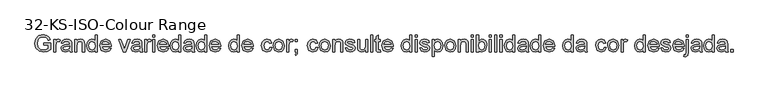
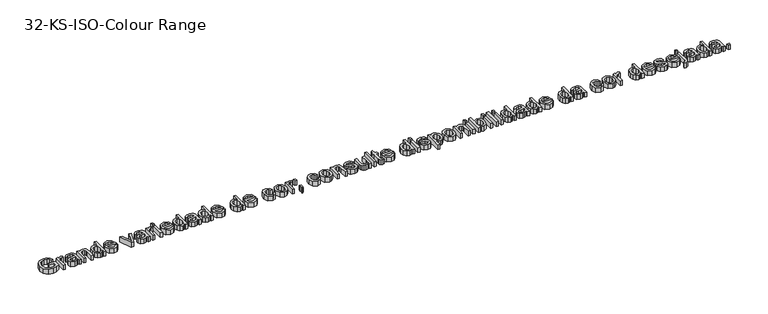
"""IFC4 building model written with IfcOpenShell, lengths in millimetres: proxy geometry, 32-KS-ISO-Colour Range."""

from ifc_helpers import new_model, si_unit, origin, origin_with_axes, place, context, project, spatial, polyline, outline, extrude, source, transform, mapped, element, save


def proxy_32_ks_iso_colour_range_8220f766(model_context):
    return source(origin(), model_context, "Body", "SweptSolid", [
        extrude(outline(polyline([(-1019.1574739, 357.6650582), (-1019.1574739, 363.9435776), (-998.7522859, 363.9435776), (-998.7522859, 345.1693331), (-1008.8261212, 339.246433), (-1019.4763049, 337.2598702), (-1032.8856037, 340.417524), (-1041.9845517, 349.5593916), (-1045.0563663, 362.913508), (-1041.9968144, 376.5680614), (-1033.1983034, 385.9797091), (-1019.979077, 389.0576552), (-1010.1566277, 387.2734275), (-1003.2711031, 382.3070205), (-999.4757871, 373.9990188), (-1005.2637972, 372.3680753), (-1008.1271454, 378.1744795), (-1013.0199759, 381.5222056), (-1020.0771789, 382.7791358), (-1028.1154005, 381.4241038), (-1033.5845795, 377.8679111), (-1036.8158096, 373.0302629), (-1038.777847, 363.1710254), (-1036.4172708, 352.2265361), (-1029.5501402, 345.6782366), (-1019.979077, 343.5383896), (-1011.3890324, 345.150939), (-1005.0308053, 348.5906357), (-1005.0308053, 357.6650582), (-1019.1574739, 357.6650582)])), origin_with_axes(), (0.0, 0.0, 1.0), 15.0),
        extrude(outline(polyline([(-989.3345068, 338.0446852), (-989.3345068, 374.9309865), (-983.8408023, 374.9309865), (-983.8408023, 369.4740703), (-979.9412532, 374.5017909), (-976.0171786, 375.7158015), (-969.7141337, 373.7782896), (-971.8110611, 368.1496951), (-976.225645, 369.4372821), (-979.7757063, 368.198746), (-982.0381806, 364.7651807), (-983.0559874, 357.4320663), (-983.0559874, 338.0446852), (-989.3345068, 338.0446852)])), origin_with_axes(), (0.0, 0.0, 1.0), 15.0),
        extrude(outline(polyline([(-942.2456114, 342.7535747), (-948.3340584, 338.4984063), (-955.0601676, 337.2598702), (-964.1775097, 340.2397144), (-967.359689, 347.8548717), (-966.1579411, 352.8212786), (-963.0002873, 356.4265222), (-958.6040975, 358.4866614), (-953.1717067, 359.4308918), (-942.2823996, 361.5891328), (-943.9746568, 367.6223976), (-950.9153638, 369.4372821), (-957.2674596, 368.2294029), (-960.2963546, 363.9435776), (-966.574874, 364.7283925), (-963.8586786, 370.8597591), (-958.3894996, 374.4527399), (-950.1060234, 375.7158015), (-942.4969974, 374.5998927), (-938.1989095, 371.7978582), (-936.2736604, 367.5365584), (-935.967092, 362.042854), (-935.967092, 354.2314929), (-935.648261, 343.3237918), (-934.3974622, 338.0446852), (-940.6759816, 338.0446852), (-942.2456114, 342.7535747)]), holes=[polyline([(-942.2456114, 355.3106135), (-952.374629, 353.3853644), (-957.776363, 352.3675575), (-960.2227782, 350.7120885), (-961.0811696, 348.2963301), (-959.2111028, 344.899553), (-953.7235297, 343.5383896), (-947.3714339, 345.0405744), (-943.275681, 348.6764748), (-942.2823996, 353.5325172), (-942.2456114, 355.3106135)])]), origin_with_axes(), (0.0, 0.0, 1.0), 15.0),
        extrude(outline(polyline([(-927.3341279, 338.0446852), (-927.3341279, 374.9309865), (-921.0556085, 374.9309865), (-921.0556085, 369.7806386), (-916.2547485, 374.2320107), (-909.7003176, 375.7158015), (-903.7712861, 374.520185), (-899.7245841, 371.3809253), (-897.8422546, 366.7640062), (-897.5111608, 360.6939533), (-897.5111608, 338.0446852), (-903.7896802, 338.0446852), (-903.7896802, 359.8478247), (-904.5131814, 365.4028429), (-907.0699613, 368.3397675), (-911.380312, 369.4372821), (-918.1922603, 366.9724727), (-921.0556085, 357.6160073), (-921.0556085, 338.0446852), (-927.3341279, 338.0446852)])), origin_with_axes(), (0.0, 0.0, 1.0), 15.0),
        extrude(outline(polyline([(-866.1185639, 338.0446852), (-866.1185639, 343.9675853), (-870.2725647, 338.936799), (-876.0145896, 337.2598702), (-883.7891624, 339.6878914), (-889.2828668, 346.4630515), (-891.2326414, 356.4510476), (-889.436151, 366.4451752), (-884.0528111, 373.3245685), (-876.039115, 375.7158015), (-870.251105, 374.0051502), (-866.1185639, 369.5599094), (-866.1185639, 388.2728402), (-859.8400445, 388.2728402), (-859.8400445, 338.0446852), (-866.1185639, 338.0446852)]), holes=[polyline([(-884.954122, 356.4755731), (-882.1214307, 346.7573571), (-875.4382411, 343.5383896), (-868.8347593, 346.6102043), (-866.1185639, 355.9973265), (-868.8838102, 366.1876578), (-875.6957585, 369.4372821), (-882.3053717, 366.3164165), (-884.954122, 356.4755731)])]), origin_with_axes(), (0.0, 0.0, 1.0), 15.0),
        extrude(outline(polyline([(-824.5969494, 349.0320941), (-818.4410573, 348.2472792), (-824.1984105, 340.1416125), (-834.9221707, 337.2598702), (-847.9574561, 342.2324085), (-852.7767102, 356.1812675), (-847.9084051, 370.589979), (-835.27779, 375.7158015), (-823.0089254, 370.6022417), (-818.2448536, 356.2180557), (-818.2816418, 354.5257985), (-846.4981908, 354.5257985), (-842.8868159, 346.371081), (-834.7995434, 343.5383896), (-828.6436513, 344.8505021), (-824.5969494, 349.0320941)]), holes=[polyline([(-846.4981908, 360.8043179), (-824.523373, 360.8043179), (-827.0372333, 366.4942261), (-835.3023154, 369.4372821), (-843.0339687, 367.0889687), (-846.4981908, 360.8043179)])]), origin_with_axes(), (0.0, 0.0, 1.0), 15.0),
        extrude(outline(polyline([(-783.296064, 338.0446852), (-796.2700357, 374.9309865), (-789.6236344, 374.9309865), (-781.7632224, 352.8335414), (-779.3965149, 345.4023251), (-777.0788583, 352.4166084), (-769.1693954, 374.9309865), (-762.522994, 374.9309865), (-775.3375502, 338.0446852), (-783.296064, 338.0446852)])), origin_with_axes(), (0.0, 0.0, 1.0), 15.0),
        extrude(outline(polyline([(-733.4848419, 342.7535747), (-739.5732889, 338.4984063), (-746.2993981, 337.2598702), (-755.4167402, 340.2397144), (-758.5989194, 347.8548717), (-757.3971716, 352.8212786), (-754.2395178, 356.4265222), (-749.8433279, 358.4866614), (-744.4109371, 359.4308918), (-733.5216301, 361.5891328), (-735.2138873, 367.6223976), (-742.1545942, 369.4372821), (-748.50669, 368.2294029), (-751.5355851, 363.9435776), (-757.8141045, 364.7283925), (-755.0979091, 370.8597591), (-749.6287301, 374.4527399), (-741.3452539, 375.7158015), (-733.7362279, 374.5998927), (-729.4381399, 371.7978582), (-727.5128908, 367.5365584), (-727.2063225, 362.042854), (-727.2063225, 354.2314929), (-726.8874914, 343.3237918), (-725.6366927, 338.0446852), (-731.915212, 338.0446852), (-733.4848419, 342.7535747)]), holes=[polyline([(-733.4848419, 355.3106135), (-743.6138595, 353.3853644), (-749.0155935, 352.3675575), (-751.4620087, 350.7120885), (-752.3204, 348.2963301), (-750.4503332, 344.899553), (-744.9627601, 343.5383896), (-738.6106644, 345.0405744), (-734.5149115, 348.6764748), (-733.5216301, 353.5325172), (-733.4848419, 355.3106135)])]), origin_with_axes(), (0.0, 0.0, 1.0), 15.0),
        extrude(outline(polyline([(-718.5733584, 338.0446852), (-718.5733584, 374.9309865), (-713.0796539, 374.9309865), (-713.0796539, 369.4740703), (-709.1801047, 374.5017909), (-705.2560301, 375.7158015), (-698.9529853, 373.7782896), (-701.0499126, 368.1496951), (-705.4644966, 369.4372821), (-709.0145578, 368.198746), (-711.2770321, 364.7651807), (-712.294839, 357.4320663), (-712.294839, 338.0446852), (-718.5733584, 338.0446852)])), origin_with_axes(), (0.0, 0.0, 1.0), 15.0),
        extrude(outline(polyline([(-695.0289107, 381.9943208), (-695.0289107, 388.2728402), (-688.7503913, 388.2728402), (-688.7503913, 381.9943208), (-695.0289107, 381.9943208)])), origin_with_axes(), (0.0, 0.0, 1.0), 15.0),
        extrude(outline(polyline([(-695.0289107, 338.0446852), (-695.0289107, 374.9309865), (-688.7503913, 374.9309865), (-688.7503913, 338.0446852), (-695.0289107, 338.0446852)])), origin_with_axes(), (0.0, 0.0, 1.0), 15.0),
        extrude(outline(polyline([(-653.5072961, 349.0320941), (-647.3514041, 348.2472792), (-653.1087573, 340.1416125), (-663.8325175, 337.2598702), (-676.8678028, 342.2324085), (-681.687057, 356.1812675), (-676.8187519, 370.589979), (-664.1881367, 375.7158015), (-651.9192722, 370.6022417), (-647.1552004, 356.2180557), (-647.1919886, 354.5257985), (-675.4085376, 354.5257985), (-671.7971627, 346.371081), (-663.7098901, 343.5383896), (-657.5539981, 344.8505021), (-653.5072961, 349.0320941)]), holes=[polyline([(-675.4085376, 360.8043179), (-653.4337197, 360.8043179), (-655.94758, 366.4942261), (-664.2126622, 369.4372821), (-671.9443155, 367.0889687), (-675.4085376, 360.8043179)])]), origin_with_axes(), (0.0, 0.0, 1.0), 15.0),
        extrude(outline(polyline([(-618.1170482, 338.0446852), (-618.1170482, 343.9675853), (-622.2710491, 338.936799), (-628.0130739, 337.2598702), (-635.7876467, 339.6878914), (-641.2813512, 346.4630515), (-643.2311257, 356.4510476), (-641.4346353, 366.4451752), (-636.0512955, 373.3245685), (-628.0375993, 375.7158015), (-622.2495893, 374.0051502), (-618.1170482, 369.5599094), (-618.1170482, 388.2728402), (-611.8385288, 388.2728402), (-611.8385288, 338.0446852), (-618.1170482, 338.0446852)]), holes=[polyline([(-636.9526064, 356.4755731), (-634.119915, 346.7573571), (-627.4367254, 343.5383896), (-620.8332436, 346.6102043), (-618.1170482, 355.9973265), (-620.8822945, 366.1876578), (-627.6942428, 369.4372821), (-634.303856, 366.3164165), (-636.9526064, 356.4755731)])]), origin_with_axes(), (0.0, 0.0, 1.0), 15.0),
        extrude(outline(polyline([(-578.876302, 342.7535747), (-584.9647491, 338.4984063), (-591.6908582, 337.2598702), (-600.8082003, 340.2397144), (-603.9903796, 347.8548717), (-602.7886317, 352.8212786), (-599.6309779, 356.4265222), (-595.2347881, 358.4866614), (-589.8023973, 359.4308918), (-578.9130902, 361.5891328), (-580.6053474, 367.6223976), (-587.5460544, 369.4372821), (-593.8981502, 368.2294029), (-596.9270453, 363.9435776), (-603.2055647, 364.7283925), (-600.4893693, 370.8597591), (-595.0201903, 374.4527399), (-586.736714, 375.7158015), (-579.1276881, 374.5998927), (-574.8296001, 371.7978582), (-572.904351, 367.5365584), (-572.5977827, 362.042854), (-572.5977827, 354.2314929), (-572.2789516, 343.3237918), (-571.0281528, 338.0446852), (-577.3066722, 338.0446852), (-578.876302, 342.7535747)]), holes=[polyline([(-578.876302, 355.3106135), (-589.0053196, 353.3853644), (-594.4070536, 352.3675575), (-596.8534689, 350.7120885), (-597.7118602, 348.2963301), (-595.8417934, 344.899553), (-590.3542203, 343.5383896), (-584.0021245, 345.0405744), (-579.9063716, 348.6764748), (-578.9130902, 353.5325172), (-578.876302, 355.3106135)])]), origin_with_axes(), (0.0, 0.0, 1.0), 15.0),
        extrude(outline(polyline([(-541.2051857, 338.0446852), (-541.2051857, 343.9675853), (-545.3591866, 338.936799), (-551.1012114, 337.2598702), (-558.8757842, 339.6878914), (-564.3694887, 346.4630515), (-566.3192633, 356.4510476), (-564.5227729, 366.4451752), (-559.139433, 373.3245685), (-551.1257369, 375.7158015), (-545.3377268, 374.0051502), (-541.2051857, 369.5599094), (-541.2051857, 388.2728402), (-534.9266664, 388.2728402), (-534.9266664, 338.0446852), (-541.2051857, 338.0446852)]), holes=[polyline([(-560.0407439, 356.4755731), (-557.2080525, 346.7573571), (-550.524863, 343.5383896), (-543.9213811, 346.6102043), (-541.2051857, 355.9973265), (-543.9704321, 366.1876578), (-550.7823804, 369.4372821), (-557.3919935, 366.3164165), (-560.0407439, 356.4755731)])]), origin_with_axes(), (0.0, 0.0, 1.0), 15.0),
        extrude(outline(polyline([(-499.6835712, 349.0320941), (-493.5276792, 348.2472792), (-499.2850324, 340.1416125), (-510.0087926, 337.2598702), (-523.0440779, 342.2324085), (-527.8633321, 356.1812675), (-522.995027, 370.589979), (-510.3644118, 375.7158015), (-498.0955473, 370.6022417), (-493.3314754, 356.2180557), (-493.3682636, 354.5257985), (-521.5848127, 354.5257985), (-517.9734377, 346.371081), (-509.8861652, 343.5383896), (-503.7302732, 344.8505021), (-499.6835712, 349.0320941)]), holes=[polyline([(-521.5848127, 360.8043179), (-499.6099948, 360.8043179), (-502.1238551, 366.4942261), (-510.3889373, 369.4372821), (-518.1205905, 367.0889687), (-521.5848127, 360.8043179)])]), origin_with_axes(), (0.0, 0.0, 1.0), 15.0),
        extrude(outline(polyline([(-444.6729502, 338.0446852), (-444.6729502, 343.9675853), (-448.8269511, 338.936799), (-454.5689759, 337.2598702), (-462.3435487, 339.6878914), (-467.8372532, 346.4630515), (-469.7870277, 356.4510476), (-467.9905373, 366.4451752), (-462.6071975, 373.3245685), (-454.5935013, 375.7158015), (-448.8054913, 374.0051502), (-444.6729502, 369.5599094), (-444.6729502, 388.2728402), (-438.3944308, 388.2728402), (-438.3944308, 338.0446852), (-444.6729502, 338.0446852)]), holes=[polyline([(-463.5085084, 356.4755731), (-460.675817, 346.7573571), (-453.9926274, 343.5383896), (-447.3891456, 346.6102043), (-444.6729502, 355.9973265), (-447.4381965, 366.1876578), (-454.2501448, 369.4372821), (-460.859758, 366.3164165), (-463.5085084, 356.4755731)])]), origin_with_axes(), (0.0, 0.0, 1.0), 15.0),
        extrude(outline(polyline([(-403.1513357, 349.0320941), (-396.9954436, 348.2472792), (-402.7527969, 340.1416125), (-413.476557, 337.2598702), (-426.5118424, 342.2324085), (-431.3310965, 356.1812675), (-426.4627914, 370.589979), (-413.8321763, 375.7158015), (-401.5633117, 370.6022417), (-396.7992399, 356.2180557), (-396.8360281, 354.5257985), (-425.0525771, 354.5257985), (-421.4412022, 346.371081), (-413.3539297, 343.5383896), (-407.1980376, 344.8505021), (-403.1513357, 349.0320941)]), holes=[polyline([(-425.0525771, 360.8043179), (-403.0777593, 360.8043179), (-405.5916196, 366.4942261), (-413.8567017, 369.4372821), (-421.588355, 367.0889687), (-425.0525771, 360.8043179)])]), origin_with_axes(), (0.0, 0.0, 1.0), 15.0),
        extrude(outline(polyline([(-347.3558998, 351.3865388), (-341.0773804, 350.6017239), (-346.1173637, 340.7976688), (-356.074703, 337.2598702), (-367.9756856, 342.1956203), (-372.4699773, 356.3529458), (-370.5508595, 366.7824003), (-364.7015358, 373.483984), (-356.1605422, 375.7158015), (-346.6140044, 372.6501182), (-341.8621953, 363.9435776), (-348.1407147, 363.1587627), (-351.0531138, 367.8615209), (-356.1114912, 369.4372821), (-363.3894234, 366.3348106), (-366.1914579, 356.524624), (-363.450737, 346.622467), (-356.2831695, 343.5383896), (-350.3664007, 345.4636387), (-347.3558998, 351.3865388)])), origin_with_axes(), (0.0, 0.0, 1.0), 15.0),
        extrude(outline(polyline([(-337.1533058, 356.4878358), (-335.7952081, 365.3813831), (-331.720915, 371.6323113), (-320.6599296, 375.7158015), (-308.7957353, 370.7432632), (-304.191079, 357.0028706), (-306.2266927, 345.8315207), (-312.1557242, 339.5100818), (-320.6599296, 337.2598702), (-332.5977004, 342.2140144), (-337.1533058, 356.4878358)]), holes=[polyline([(-330.8747864, 356.5000986), (-327.9685186, 346.7696198), (-320.6599296, 343.5383896), (-313.3758661, 346.7880139), (-310.4695984, 356.6963023), (-313.3942602, 366.2060519), (-320.6599296, 369.4372821), (-327.9685186, 366.2183146), (-330.8747864, 356.5000986)])]), origin_with_axes(), (0.0, 0.0, 1.0), 15.0),
        extrude(outline(polyline([(-297.1277447, 338.0446852), (-297.1277447, 374.9309865), (-291.6340402, 374.9309865), (-291.6340402, 369.4740703), (-287.7344911, 374.5017909), (-283.8104165, 375.7158015), (-277.5073716, 373.7782896), (-279.604299, 368.1496951), (-284.0188829, 369.4372821), (-287.5689442, 368.198746), (-289.8314184, 364.7651807), (-290.8492253, 357.4320663), (-290.8492253, 338.0446852), (-297.1277447, 338.0446852)])), origin_with_axes(), (0.0, 0.0, 1.0), 15.0),
        extrude(outline(polyline([(-272.0136671, 368.6524672), (-272.0136671, 374.9309865), (-265.7351478, 374.9309865), (-265.7351478, 368.6524672), (-272.0136671, 368.6524672)])), origin_with_axes(), (0.0, 0.0, 1.0), 15.0),
        extrude(outline(polyline([(-272.0136671, 338.0446852), (-272.0136671, 344.3232045), (-265.7351478, 344.3232045), (-265.7351478, 338.0446852), (-266.8633192, 331.6251443), (-270.4440373, 327.8420912), (-272.0136671, 330.4663161), (-269.7082733, 333.0844096), (-268.8866702, 338.0446852), (-272.0136671, 338.0446852)])), origin_with_axes(), (0.0, 0.0, 1.0), 15.0),
        extrude(outline(polyline([(-210.7981031, 351.3865388), (-204.5195838, 350.6017239), (-209.5595671, 340.7976688), (-219.5169064, 337.2598702), (-231.417889, 342.1956203), (-235.9121807, 356.3529458), (-233.9930629, 366.7824003), (-228.1437392, 373.483984), (-219.6027456, 375.7158015), (-210.0562078, 372.6501182), (-205.3043987, 363.9435776), (-211.5829181, 363.1587627), (-214.4953172, 367.8615209), (-219.5536946, 369.4372821), (-226.8316268, 366.3348106), (-229.6336613, 356.524624), (-226.8929404, 346.622467), (-219.7253729, 343.5383896), (-213.8086041, 345.4636387), (-210.7981031, 351.3865388)])), origin_with_axes(), (0.0, 0.0, 1.0), 15.0),
        extrude(outline(polyline([(-200.5955091, 356.4878358), (-199.2374114, 365.3813831), (-195.1631183, 371.6323113), (-184.102133, 375.7158015), (-172.2379387, 370.7432632), (-167.6332824, 357.0028706), (-169.6688961, 345.8315207), (-175.5979276, 339.5100818), (-184.102133, 337.2598702), (-196.0399038, 342.2140144), (-200.5955091, 356.4878358)]), holes=[polyline([(-194.3169898, 356.5000986), (-191.410722, 346.7696198), (-184.102133, 343.5383896), (-176.8180695, 346.7880139), (-173.9118018, 356.6963023), (-176.8364636, 366.2060519), (-184.102133, 369.4372821), (-191.410722, 366.2183146), (-194.3169898, 356.5000986)])]), origin_with_axes(), (0.0, 0.0, 1.0), 15.0),
        extrude(outline(polyline([(-160.5699481, 338.0446852), (-160.5699481, 374.9309865), (-154.2914287, 374.9309865), (-154.2914287, 369.7806386), (-149.4905686, 374.2320107), (-142.9361378, 375.7158015), (-137.0071063, 374.520185), (-132.9604043, 371.3809253), (-131.0780748, 366.7640062), (-130.746981, 360.6939533), (-130.746981, 338.0446852), (-137.0255004, 338.0446852), (-137.0255004, 359.8478247), (-137.7490016, 365.4028429), (-140.3057815, 368.3397675), (-144.6161322, 369.4372821), (-151.4280805, 366.9724727), (-154.2914287, 357.6160073), (-154.2914287, 338.0446852), (-160.5699481, 338.0446852)])), origin_with_axes(), (0.0, 0.0, 1.0), 15.0),
        extrude(outline(polyline([(-124.4684616, 349.0320941), (-118.1899422, 349.816909), (-115.2836745, 345.1570704), (-108.6250103, 343.5383896), (-102.2238636, 345.0221803), (-100.139199, 348.5047966), (-102.2361264, 351.3252252), (-108.6985867, 353.1155842), (-118.153154, 356.1873989), (-122.2795637, 359.7742483), (-123.6836467, 364.8387571), (-122.5554752, 369.5169898), (-119.4775292, 373.0915766), (-115.4860096, 374.9493806), (-110.0842756, 375.7158015), (-102.4445928, 374.4833968), (-97.5885505, 371.1479334), (-95.4303095, 365.5132075), (-101.7088288, 364.7283925), (-104.069405, 368.1926147), (-109.5937663, 369.4372821), (-115.6025055, 368.247797), (-117.4051273, 365.4764193), (-116.6571006, 363.649272), (-114.3149185, 362.2635832), (-108.9070532, 360.9269453), (-99.6916092, 357.9716266), (-95.4119154, 354.6239004), (-93.8606796, 349.1669841), (-95.6816955, 343.1582449), (-100.9362766, 338.7988432), (-108.7108495, 337.2598702), (-119.6614702, 340.2274517), (-124.4684616, 349.0320941)])), origin_with_axes(), (0.0, 0.0, 1.0), 15.0),
        extrude(outline(polyline([(-63.2528976, 338.0446852), (-63.2528976, 344.3845182), (-68.1702536, 339.0410322), (-74.5836631, 337.2598702), (-80.4881691, 338.510669), (-84.5593965, 341.6499287), (-86.4294633, 346.2729791), (-86.7973453, 352.1100401), (-86.7973453, 374.9309865), (-80.5188259, 374.9309865), (-80.5188259, 355.0653588), (-80.1386812, 348.6642121), (-77.6554777, 344.9056844), (-72.977245, 343.5383896), (-67.7349266, 344.9363412), (-64.2707045, 348.7439198), (-63.2528976, 355.7398091), (-63.2528976, 374.9309865), (-56.9743782, 374.9309865), (-56.9743782, 338.0446852), (-63.2528976, 338.0446852)])), origin_with_axes(), (0.0, 0.0, 1.0), 15.0),
        extrude(outline(polyline([(-48.3414141, 338.0446852), (-48.3414141, 388.2728402), (-42.0628947, 388.2728402), (-42.0628947, 338.0446852), (-48.3414141, 338.0446852)])), origin_with_axes(), (0.0, 0.0, 1.0), 15.0),
        extrude(outline(polyline([(-19.3032619, 343.2808722), (-18.518447, 337.8607442), (-23.2150738, 337.2598702), (-28.4757863, 338.3022026), (-31.1000112, 341.036792), (-31.8603007, 348.16144), (-31.8603007, 368.6524672), (-36.5691902, 368.6524672), (-36.5691902, 374.9309865), (-31.8603007, 374.9309865), (-31.8603007, 383.8950445), (-25.5817813, 387.5861272), (-25.5817813, 374.9309865), (-19.3032619, 374.9309865), (-19.3032619, 368.6524672), (-25.5817813, 368.6524672), (-25.5817813, 348.345381), (-25.2506875, 345.1080195), (-22.0378514, 343.5383896), (-19.3032619, 343.2808722)])), origin_with_axes(), (0.0, 0.0, 1.0), 15.0),
        extrude(outline(polyline([(12.8005735, 349.0320941), (18.9564656, 348.2472792), (13.1991124, 340.1416125), (2.4753522, 337.2598702), (-10.5599332, 342.2324085), (-15.3791873, 356.1812675), (-10.5108822, 370.589979), (2.1197329, 375.7158015), (14.3885975, 370.6022417), (19.1526693, 356.2180557), (19.1158811, 354.5257985), (-9.1006679, 354.5257985), (-5.489293, 346.371081), (2.5979795, 343.5383896), (8.7538716, 344.8505021), (12.8005735, 349.0320941)]), holes=[polyline([(-9.1006679, 360.8043179), (12.8741499, 360.8043179), (10.3602896, 366.4942261), (2.0952075, 369.4372821), (-5.6364458, 367.0889687), (-9.1006679, 360.8043179)])]), origin_with_axes(), (0.0, 0.0, 1.0), 15.0),
        extrude(outline(polyline([(67.8111945, 338.0446852), (67.8111945, 343.9675853), (63.6571937, 338.936799), (57.9151689, 337.2598702), (50.140596, 339.6878914), (44.6468916, 346.4630515), (42.697117, 356.4510476), (44.4936074, 366.4451752), (49.8769473, 373.3245685), (57.8906434, 375.7158015), (63.6786535, 374.0051502), (67.8111945, 369.5599094), (67.8111945, 388.2728402), (74.0897139, 388.2728402), (74.0897139, 338.0446852), (67.8111945, 338.0446852)]), holes=[polyline([(48.9756364, 356.4755731), (51.8083277, 346.7573571), (58.4915173, 343.5383896), (65.0949991, 346.6102043), (67.8111945, 355.9973265), (65.0459482, 366.1876578), (58.2339999, 369.4372821), (51.6243868, 366.3164165), (48.9756364, 356.4755731)])]), origin_with_axes(), (0.0, 0.0, 1.0), 15.0),
        extrude(outline(polyline([(83.507493, 381.9943208), (83.507493, 388.2728402), (89.7860124, 388.2728402), (89.7860124, 381.9943208), (83.507493, 381.9943208)])), origin_with_axes(), (0.0, 0.0, 1.0), 15.0),
        extrude(outline(polyline([(83.507493, 338.0446852), (83.507493, 374.9309865), (89.7860124, 374.9309865), (89.7860124, 338.0446852), (83.507493, 338.0446852)])), origin_with_axes(), (0.0, 0.0, 1.0), 15.0),
        extrude(outline(polyline([(96.8493467, 349.0320941), (103.1278661, 349.816909), (106.0341338, 345.1570704), (112.692798, 343.5383896), (119.0939447, 345.0221803), (121.1786093, 348.5047966), (119.0816819, 351.3252252), (112.6192216, 353.1155842), (103.1646543, 356.1873989), (99.0382446, 359.7742483), (97.6341616, 364.8387571), (98.7623331, 369.5169898), (101.8402791, 373.0915766), (105.8317987, 374.9493806), (111.2335327, 375.7158015), (118.8732155, 374.4833968), (123.7292578, 371.1479334), (125.8874988, 365.5132075), (119.6089795, 364.7283925), (117.2484033, 368.1926147), (111.724042, 369.4372821), (105.7153028, 368.247797), (103.912681, 365.4764193), (104.6607077, 363.649272), (107.0028898, 362.2635832), (112.4107551, 360.9269453), (121.6261991, 357.9716266), (125.9058929, 354.6239004), (127.4571287, 349.1669841), (125.6361128, 343.1582449), (120.3815316, 338.7988432), (112.6069588, 337.2598702), (101.6563381, 340.2274517), (96.8493467, 349.0320941)])), origin_with_axes(), (0.0, 0.0, 1.0), 15.0),
        extrude(outline(polyline([(134.520463, 323.9180165), (134.520463, 374.9309865), (140.7989824, 374.9309865), (140.7989824, 368.7750945), (145.1399899, 373.9806247), (151.0015764, 375.7158015), (158.9600902, 373.2877803), (164.1594891, 366.4451752), (165.9130599, 356.7698787), (163.9326285, 346.5979415), (158.1814067, 339.6694973), (150.2412869, 337.2598702), (144.7782393, 338.8724196), (140.7989824, 342.9497784), (140.7989824, 323.9180165), (134.520463, 323.9180165)]), holes=[polyline([(140.7989824, 356.1935303), (143.5151778, 346.6285984), (150.1063969, 343.5383896), (156.832506, 346.738963), (159.6345405, 356.6595141), (156.899951, 366.2489715), (150.3639143, 369.4372821), (143.6991188, 366.0466364), (140.7989824, 356.1935303)])]), origin_with_axes(), (0.0, 0.0, 1.0), 15.0),
        extrude(outline(polyline([(171.4067644, 356.4878358), (172.7648621, 365.3813831), (176.8391552, 371.6323113), (187.9001405, 375.7158015), (199.7643348, 370.7432632), (204.3689911, 357.0028706), (202.3333774, 345.8315207), (196.404346, 339.5100818), (187.9001405, 337.2598702), (175.9623698, 342.2140144), (171.4067644, 356.4878358)]), holes=[polyline([(177.6852838, 356.5000986), (180.5915515, 346.7696198), (187.9001405, 343.5383896), (195.184204, 346.7880139), (198.0904718, 356.6963023), (195.1658099, 366.2060519), (187.9001405, 369.4372821), (180.5915515, 366.2183146), (177.6852838, 356.5000986)])]), origin_with_axes(), (0.0, 0.0, 1.0), 15.0),
        extrude(outline(polyline([(211.4323255, 338.0446852), (211.4323255, 374.9309865), (217.7108448, 374.9309865), (217.7108448, 369.7806386), (222.5117049, 374.2320107), (229.0661358, 375.7158015), (234.9951672, 374.520185), (239.0418692, 371.3809253), (240.9241987, 366.7640062), (241.2552925, 360.6939533), (241.2552925, 338.0446852), (234.9767731, 338.0446852), (234.9767731, 359.8478247), (234.2532719, 365.4028429), (231.696492, 368.3397675), (227.3861413, 369.4372821), (220.574193, 366.9724727), (217.7108448, 357.6160073), (217.7108448, 338.0446852), (211.4323255, 338.0446852)])), origin_with_axes(), (0.0, 0.0, 1.0), 15.0),
        extrude(outline(polyline([(249.8882567, 381.9943208), (249.8882567, 388.2728402), (256.1667761, 388.2728402), (256.1667761, 381.9943208), (249.8882567, 381.9943208)])), origin_with_axes(), (0.0, 0.0, 1.0), 15.0),
        extrude(outline(polyline([(249.8882567, 338.0446852), (249.8882567, 374.9309865), (256.1667761, 374.9309865), (256.1667761, 338.0446852), (249.8882567, 338.0446852)])), origin_with_axes(), (0.0, 0.0, 1.0), 15.0),
        extrude(outline(polyline([(271.8630745, 338.0446852), (265.5845551, 338.0446852), (265.5845551, 388.2728402), (271.8630745, 388.2728402), (271.8630745, 369.6457485), (281.722312, 375.7158015), (288.0130941, 374.3485067), (292.8936619, 370.5041399), (295.8919002, 364.5260574), (296.9771521, 357.0396588), (292.4828604, 342.4224809), (281.6855238, 337.2598702), (276.1029145, 338.9245363), (271.8630745, 343.9185343), (271.8630745, 338.0446852)]), holes=[polyline([(271.8630745, 356.7453532), (273.5798572, 347.9652363), (281.1459635, 343.5383896), (287.8659413, 346.8002766), (290.6986327, 356.524624), (287.9824373, 366.2857597), (281.4157437, 369.4372821), (274.6957659, 366.1753951), (271.8630745, 356.7453532)])]), origin_with_axes(), (0.0, 0.0, 1.0), 15.0),
        extrude(outline(polyline([(304.0404864, 381.9943208), (304.0404864, 388.2728402), (310.3190058, 388.2728402), (310.3190058, 381.9943208), (304.0404864, 381.9943208)])), origin_with_axes(), (0.0, 0.0, 1.0), 15.0),
        extrude(outline(polyline([(304.0404864, 338.0446852), (304.0404864, 374.9309865), (310.3190058, 374.9309865), (310.3190058, 338.0446852), (304.0404864, 338.0446852)])), origin_with_axes(), (0.0, 0.0, 1.0), 15.0),
        extrude(outline(polyline([(319.7367848, 338.0446852), (319.7367848, 388.2728402), (326.0153042, 388.2728402), (326.0153042, 338.0446852), (319.7367848, 338.0446852)])), origin_with_axes(), (0.0, 0.0, 1.0), 15.0),
        extrude(outline(polyline([(335.4330833, 381.9943208), (335.4330833, 388.2728402), (341.7116027, 388.2728402), (341.7116027, 381.9943208), (335.4330833, 381.9943208)])), origin_with_axes(), (0.0, 0.0, 1.0), 15.0),
        extrude(outline(polyline([(335.4330833, 338.0446852), (335.4330833, 374.9309865), (341.7116027, 374.9309865), (341.7116027, 338.0446852), (335.4330833, 338.0446852)])), origin_with_axes(), (0.0, 0.0, 1.0), 15.0),
        extrude(outline(polyline([(373.8890145, 338.0446852), (373.8890145, 343.9675853), (369.7350137, 338.936799), (363.9929889, 337.2598702), (356.218416, 339.6878914), (350.7247116, 346.4630515), (348.774937, 356.4510476), (350.5714274, 366.4451752), (355.9547673, 373.3245685), (363.9684634, 375.7158015), (369.7564734, 374.0051502), (373.8890145, 369.5599094), (373.8890145, 388.2728402), (380.1675339, 388.2728402), (380.1675339, 338.0446852), (373.8890145, 338.0446852)]), holes=[polyline([(355.0534564, 356.4755731), (357.8861477, 346.7573571), (364.5693373, 343.5383896), (371.1728191, 346.6102043), (373.8890145, 355.9973265), (371.1237682, 366.1876578), (364.3118199, 369.4372821), (357.7022067, 366.3164165), (355.0534564, 356.4755731)])]), origin_with_axes(), (0.0, 0.0, 1.0), 15.0),
        extrude(outline(polyline([(413.1297607, 342.7535747), (407.0413137, 338.4984063), (400.3152045, 337.2598702), (391.1978624, 340.2397144), (388.0156831, 347.8548717), (389.217431, 352.8212786), (392.3750848, 356.4265222), (396.7712746, 358.4866614), (402.2036654, 359.4308918), (413.0929725, 361.5891328), (411.4007153, 367.6223976), (404.4600083, 369.4372821), (398.1079125, 368.2294029), (395.0790174, 363.9435776), (388.8004981, 364.7283925), (391.5166935, 370.8597591), (396.9858725, 374.4527399), (405.2693487, 375.7158015), (412.8783746, 374.5998927), (417.1764626, 371.7978582), (419.1017117, 367.5365584), (419.4082801, 362.042854), (419.4082801, 354.2314929), (419.7271111, 343.3237918), (420.9779099, 338.0446852), (414.6993905, 338.0446852), (413.1297607, 342.7535747)]), holes=[polyline([(413.1297607, 355.3106135), (403.0007431, 353.3853644), (397.5990091, 352.3675575), (395.1525938, 350.7120885), (394.2942025, 348.2963301), (396.1642693, 344.899553), (401.6518424, 343.5383896), (408.0039382, 345.0405744), (412.0996911, 348.6764748), (413.0929725, 353.5325172), (413.1297607, 355.3106135)])]), origin_with_axes(), (0.0, 0.0, 1.0), 15.0),
        extrude(outline(polyline([(450.800877, 338.0446852), (450.800877, 343.9675853), (446.6468761, 338.936799), (440.9048513, 337.2598702), (433.1302785, 339.6878914), (427.636574, 346.4630515), (425.6867994, 356.4510476), (427.4832899, 366.4451752), (432.8666297, 373.3245685), (440.8803258, 375.7158015), (446.6683359, 374.0051502), (450.800877, 369.5599094), (450.800877, 388.2728402), (457.0793964, 388.2728402), (457.0793964, 338.0446852), (450.800877, 338.0446852)]), holes=[polyline([(431.9653188, 356.4755731), (434.7980102, 346.7573571), (441.4811998, 343.5383896), (448.0846816, 346.6102043), (450.800877, 355.9973265), (448.0356307, 366.1876578), (441.2236824, 369.4372821), (434.6140692, 366.3164165), (431.9653188, 356.4755731)])]), origin_with_axes(), (0.0, 0.0, 1.0), 15.0),
        extrude(outline(polyline([(492.3224915, 349.0320941), (498.4783836, 348.2472792), (492.7210303, 340.1416125), (481.9972702, 337.2598702), (468.9619848, 342.2324085), (464.1427307, 356.1812675), (469.0110357, 370.589979), (481.6416509, 375.7158015), (493.9105155, 370.6022417), (498.6745873, 356.2180557), (498.6377991, 354.5257985), (470.4212501, 354.5257985), (474.032625, 346.371081), (482.1198975, 343.5383896), (488.2757896, 344.8505021), (492.3224915, 349.0320941)]), holes=[polyline([(470.4212501, 360.8043179), (492.3960679, 360.8043179), (489.8822076, 366.4942261), (481.6171254, 369.4372821), (473.8854722, 367.0889687), (470.4212501, 360.8043179)])]), origin_with_axes(), (0.0, 0.0, 1.0), 15.0),
        extrude(outline(polyline([(547.3331125, 338.0446852), (547.3331125, 343.9675853), (543.1791117, 338.936799), (537.4370868, 337.2598702), (529.662514, 339.6878914), (524.1688096, 346.4630515), (522.219035, 356.4510476), (524.0155254, 366.4451752), (529.3988653, 373.3245685), (537.4125614, 375.7158015), (543.2005714, 374.0051502), (547.3331125, 369.5599094), (547.3331125, 388.2728402), (553.6116319, 388.2728402), (553.6116319, 338.0446852), (547.3331125, 338.0446852)]), holes=[polyline([(528.4975544, 356.4755731), (531.3302457, 346.7573571), (538.0134353, 343.5383896), (544.6169171, 346.6102043), (547.3331125, 355.9973265), (544.5678662, 366.1876578), (537.7559179, 369.4372821), (531.1463047, 366.3164165), (528.4975544, 356.4755731)])]), origin_with_axes(), (0.0, 0.0, 1.0), 15.0),
        extrude(outline(polyline([(586.5738587, 342.7535747), (580.4854117, 338.4984063), (573.7593025, 337.2598702), (564.6419604, 340.2397144), (561.4597811, 347.8548717), (562.661529, 352.8212786), (565.8191828, 356.4265222), (570.2153726, 358.4866614), (575.6477634, 359.4308918), (586.5370705, 361.5891328), (584.8448133, 367.6223976), (577.9041063, 369.4372821), (571.5520105, 368.2294029), (568.5231154, 363.9435776), (562.2445961, 364.7283925), (564.9607915, 370.8597591), (570.4299704, 374.4527399), (578.7134467, 375.7158015), (586.3224726, 374.5998927), (590.6205606, 371.7978582), (592.5458097, 367.5365584), (592.8523781, 362.042854), (592.8523781, 354.2314929), (593.1712091, 343.3237918), (594.4220079, 338.0446852), (588.1434885, 338.0446852), (586.5738587, 342.7535747)]), holes=[polyline([(586.5738587, 355.3106135), (576.4448411, 353.3853644), (571.0431071, 352.3675575), (568.5966918, 350.7120885), (567.7383005, 348.2963301), (569.6083673, 344.899553), (575.0959404, 343.5383896), (581.4480362, 345.0405744), (585.5437891, 348.6764748), (586.5370705, 353.5325172), (586.5738587, 355.3106135)])]), origin_with_axes(), (0.0, 0.0, 1.0), 15.0),
        extrude(outline(polyline([(644.650163, 351.3865388), (650.9286824, 350.6017239), (645.888699, 340.7976688), (635.9313597, 337.2598702), (624.0303771, 342.1956203), (619.5360854, 356.3529458), (621.4552032, 366.7824003), (627.3045269, 373.483984), (635.8455206, 375.7158015), (645.3920583, 372.6501182), (650.1438674, 363.9435776), (643.8653481, 363.1587627), (640.9529489, 367.8615209), (635.8945715, 369.4372821), (628.6166394, 366.3348106), (625.8146048, 356.524624), (628.5553257, 346.622467), (635.7228932, 343.5383896), (641.639662, 345.4636387), (644.650163, 351.3865388)])), origin_with_axes(), (0.0, 0.0, 1.0), 15.0),
        extrude(outline(polyline([(654.852757, 356.4878358), (656.2108547, 365.3813831), (660.2851478, 371.6323113), (671.3461331, 375.7158015), (683.2103274, 370.7432632), (687.8149837, 357.0028706), (685.77937, 345.8315207), (679.8503385, 339.5100818), (671.3461331, 337.2598702), (659.4083623, 342.2140144), (654.852757, 356.4878358)]), holes=[polyline([(661.1312764, 356.5000986), (664.0375441, 346.7696198), (671.3461331, 343.5383896), (678.6301966, 346.7880139), (681.5364644, 356.6963023), (678.6118025, 366.2060519), (671.3461331, 369.4372821), (664.0375441, 366.2183146), (661.1312764, 356.5000986)])]), origin_with_axes(), (0.0, 0.0, 1.0), 15.0),
        extrude(outline(polyline([(694.8783181, 338.0446852), (694.8783181, 374.9309865), (700.3720225, 374.9309865), (700.3720225, 369.4740703), (704.2715717, 374.5017909), (708.1956463, 375.7158015), (714.4986911, 373.7782896), (712.4017638, 368.1496951), (707.9871798, 369.4372821), (704.4371186, 368.198746), (702.1746443, 364.7651807), (701.1568374, 357.4320663), (701.1568374, 338.0446852), (694.8783181, 338.0446852)])), origin_with_axes(), (0.0, 0.0, 1.0), 15.0),
        extrude(outline(polyline([(760.8027716, 338.0446852), (760.8027716, 343.9675853), (756.6487707, 338.936799), (750.9067459, 337.2598702), (743.1321731, 339.6878914), (737.6384686, 346.4630515), (735.688694, 356.4510476), (737.4851845, 366.4451752), (742.8685243, 373.3245685), (750.8822205, 375.7158015), (756.6702305, 374.0051502), (760.8027716, 369.5599094), (760.8027716, 388.2728402), (767.081291, 388.2728402), (767.081291, 338.0446852), (760.8027716, 338.0446852)]), holes=[polyline([(741.9672134, 356.4755731), (744.7999048, 346.7573571), (751.4830944, 343.5383896), (758.0865762, 346.6102043), (760.8027716, 355.9973265), (758.0375253, 366.1876578), (751.225577, 369.4372821), (744.6159638, 366.3164165), (741.9672134, 356.4755731)])]), origin_with_axes(), (0.0, 0.0, 1.0), 15.0),
        extrude(outline(polyline([(802.3243861, 349.0320941), (808.4802782, 348.2472792), (802.7229249, 340.1416125), (791.9991648, 337.2598702), (778.9638794, 342.2324085), (774.1446253, 356.1812675), (779.0129303, 370.589979), (791.6435455, 375.7158015), (803.9124101, 370.6022417), (808.6764819, 356.2180557), (808.6396937, 354.5257985), (780.4231447, 354.5257985), (784.0345196, 346.371081), (792.1217921, 343.5383896), (798.2776842, 344.8505021), (802.3243861, 349.0320941)]), holes=[polyline([(780.4231447, 360.8043179), (802.3979625, 360.8043179), (799.8841022, 366.4942261), (791.61902, 369.4372821), (783.8873668, 367.0889687), (780.4231447, 360.8043179)])]), origin_with_axes(), (0.0, 0.0, 1.0), 15.0),
        extrude(outline(polyline([(812.6005565, 349.0320941), (818.8790759, 349.816909), (821.7853437, 345.1570704), (828.4440078, 343.5383896), (834.8451545, 345.0221803), (836.9298191, 348.5047966), (834.8328917, 351.3252252), (828.3704314, 353.1155842), (818.9158641, 356.1873989), (814.7894544, 359.7742483), (813.3853714, 364.8387571), (814.5135429, 369.5169898), (817.5914889, 373.0915766), (821.5830086, 374.9493806), (826.9847425, 375.7158015), (834.6244253, 374.4833968), (839.4804676, 371.1479334), (841.6387087, 365.5132075), (835.3601893, 364.7283925), (832.9996131, 368.1926147), (827.4752518, 369.4372821), (821.4665126, 368.247797), (819.6638908, 365.4764193), (820.4119175, 363.649272), (822.7540996, 362.2635832), (828.1619649, 360.9269453), (837.3774089, 357.9716266), (841.6571028, 354.6239004), (843.2083385, 349.1669841), (841.3873226, 343.1582449), (836.1327415, 338.7988432), (828.3581686, 337.2598702), (817.4075479, 340.2274517), (812.6005565, 349.0320941)])), origin_with_axes(), (0.0, 0.0, 1.0), 15.0),
        extrude(outline(polyline([(888.727604, 381.9943208), (888.727604, 388.2728402), (895.0061234, 388.2728402), (895.0061234, 381.9943208), (888.727604, 381.9943208)])), origin_with_axes(), (0.0, 0.0, 1.0), 15.0),
        extrude(outline(polyline([(880.8181411, 323.8934911), (882.1425163, 329.8654421), (885.0242586, 329.411721), (887.8140304, 330.6563884), (888.727604, 336.8797255), (888.727604, 374.9309865), (895.0061234, 374.9309865), (895.0061234, 336.0703851), (893.2280271, 326.6035551), (885.7232344, 323.1332016), (880.8181411, 323.8934911)])), origin_with_axes(), (0.0, 0.0, 1.0), 15.0),
        extrude(outline(polyline([(876.0969889, 349.0320941), (882.2528809, 348.2472792), (876.4955277, 340.1416125), (865.7717675, 337.2598702), (852.7364822, 342.2324085), (847.917228, 356.1812675), (852.7855331, 370.589979), (865.4161483, 375.7158015), (877.6850128, 370.6022417), (882.4490847, 356.2180557), (882.4122965, 354.5257985), (854.1957474, 354.5257985), (857.8071223, 346.371081), (865.8943949, 343.5383896), (872.0502869, 344.8505021), (876.0969889, 349.0320941)]), holes=[polyline([(854.1957474, 360.8043179), (876.1705653, 360.8043179), (873.656705, 366.4942261), (865.3916228, 369.4372821), (857.6599696, 367.0889687), (854.1957474, 360.8043179)])]), origin_with_axes(), (0.0, 0.0, 1.0), 15.0),
        extrude(outline(polyline([(927.9683502, 342.7535747), (921.8799032, 338.4984063), (915.153794, 337.2598702), (906.0364519, 340.2397144), (902.8542727, 347.8548717), (904.0560205, 352.8212786), (907.2136743, 356.4265222), (911.6098641, 358.4866614), (917.0422549, 359.4308918), (927.931562, 361.5891328), (926.2393048, 367.6223976), (919.2985978, 369.4372821), (912.9465021, 368.2294029), (909.917607, 363.9435776), (903.6390876, 364.7283925), (906.355283, 370.8597591), (911.824462, 374.4527399), (920.1079382, 375.7158015), (927.7169642, 374.5998927), (932.0150521, 371.7978582), (933.9403013, 367.5365584), (934.2468696, 362.042854), (934.2468696, 354.2314929), (934.5657006, 343.3237918), (935.8164994, 338.0446852), (929.53798, 338.0446852), (927.9683502, 342.7535747)]), holes=[polyline([(927.9683502, 355.3106135), (917.8393326, 353.3853644), (912.4375986, 352.3675575), (909.9911834, 350.7120885), (909.132792, 348.2963301), (911.0028589, 344.899553), (916.4904319, 343.5383896), (922.8425277, 345.0405744), (926.9382806, 348.6764748), (927.931562, 353.5325172), (927.9683502, 355.3106135)])]), origin_with_axes(), (0.0, 0.0, 1.0), 15.0),
        extrude(outline(polyline([(965.6394665, 338.0446852), (965.6394665, 343.9675853), (961.4854656, 338.936799), (955.7434408, 337.2598702), (947.968868, 339.6878914), (942.4751635, 346.4630515), (940.525389, 356.4510476), (942.3218794, 366.4451752), (947.7052192, 373.3245685), (955.7189154, 375.7158015), (961.5069254, 374.0051502), (965.6394665, 369.5599094), (965.6394665, 388.2728402), (971.9179859, 388.2728402), (971.9179859, 338.0446852), (965.6394665, 338.0446852)]), holes=[polyline([(946.8039083, 356.4755731), (949.6365997, 346.7573571), (956.3197893, 343.5383896), (962.9232711, 346.6102043), (965.6394665, 355.9973265), (962.8742202, 366.1876578), (956.0622719, 369.4372821), (949.4526587, 366.3164165), (946.8039083, 356.4755731)])]), origin_with_axes(), (0.0, 0.0, 1.0), 15.0),
        extrude(outline(polyline([(1004.8802127, 342.7535747), (998.7917656, 338.4984063), (992.0656565, 337.2598702), (982.9483144, 340.2397144), (979.7661351, 347.8548717), (980.967883, 352.8212786), (984.1255368, 356.4265222), (988.5217266, 358.4866614), (993.9541174, 359.4308918), (1004.8434245, 361.5891328), (1003.1511673, 367.6223976), (996.2104603, 369.4372821), (989.8583645, 368.2294029), (986.8294694, 363.9435776), (980.55095, 364.7283925), (983.2671454, 370.8597591), (988.7363244, 374.4527399), (997.0198007, 375.7158015), (1004.6288266, 374.5998927), (1008.9269146, 371.7978582), (1010.8521637, 367.5365584), (1011.158732, 362.042854), (1011.158732, 354.2314929), (1011.4775631, 343.3237918), (1012.7283619, 338.0446852), (1006.4498425, 338.0446852), (1004.8802127, 342.7535747)]), holes=[polyline([(1004.8802127, 355.3106135), (994.7511951, 353.3853644), (989.3494611, 352.3675575), (986.9030458, 350.7120885), (986.0446545, 348.2963301), (987.9147213, 344.899553), (993.4022944, 343.5383896), (999.7543902, 345.0405744), (1003.8501431, 348.6764748), (1004.8434245, 353.5325172), (1004.8802127, 355.3106135)])]), origin_with_axes(), (0.0, 0.0, 1.0), 15.0),
        extrude(outline(polyline([(1021.361326, 338.0446852), (1021.361326, 344.3232045), (1027.6398454, 344.3232045), (1027.6398454, 338.0446852), (1021.361326, 338.0446852)])), origin_with_axes(), (0.0, 0.0, 1.0), 15.0),
    ])


if __name__ == "__main__":
    model = new_model("IFC4")
    model_context = context("Model", 3, world=origin())
    ifc_project = project(units=[si_unit("LENGTHUNIT", "METRE", prefix="MILLI")], contexts=[model_context])
    site = spatial("IfcSite", under=ifc_project)
    building = spatial("IfcBuilding", under=site)
    placement = place(None, origin())
    proxy_32_ks_iso_colour_range_shape = proxy_32_ks_iso_colour_range_8220f766(model_context)
    element("IfcBuildingElementProxy", 1, Name="32-KS-ISO-Colour Range", ObjectType="32-KS-ISO-Colour Range", at=placement, inside=building, context=model_context, shape_type="MappedRepresentation", body=[
        mapped(proxy_32_ks_iso_colour_range_shape, transform((0.0, 0.0, 0.0), x_axis=(1.0, 0.0, 0.0), y_axis=(0.0, 1.0, 0.0), z_axis=(0.0, 0.0, 1.0))),
    ])
    save(model, "model.ifc")
